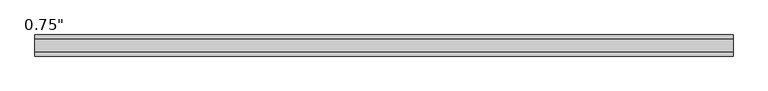
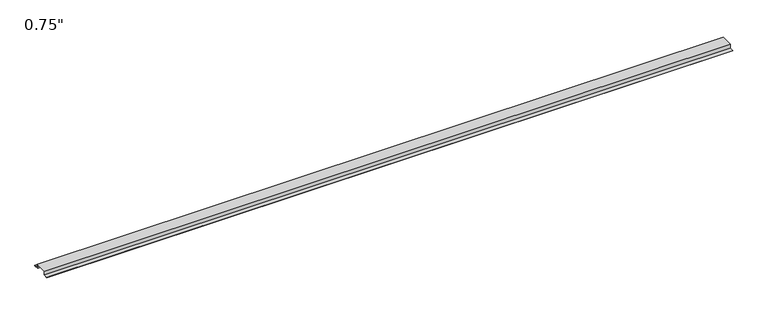
"""IFC4 building model written with IfcOpenShell, lengths in millimetres: proxy geometry."""

from ifc_helpers import new_model, si_unit, frame, origin, place, context, project, spatial, polyline, outline, extrude, source, transform, mapped, element, save


def proxy_8df4bd16(model_context):
    return source(origin(), model_context, "Body", "SweptSolid", [
        extrude(outline(polyline([(46.0559645, -17.4625), (25.4, -17.4625), (25.4, 0.0), (-25.4, 0.0), (-25.4, -17.4625), (-46.0559645, -17.4625), (-46.0559645, -15.8492), (-27.0129, -15.8492), (-27.0129, 1.6129), (27.0129, 1.6129), (27.0129, -15.8492), (46.0559645, -15.8492), (46.0559645, -17.4625)])), frame((0.0, 0.0, 0.0), z_axis=(1.0, 0.0, 0.0), x_axis=(0.0, 1.0, 0.0)), (0.0, 0.0, 1.0), 3048.0),
    ])


if __name__ == "__main__":
    model = new_model("IFC4")
    model_context = context("Model", 3, world=origin())
    ifc_project = project(units=[si_unit("LENGTHUNIT", "METRE", prefix="MILLI")], contexts=[model_context])
    site = spatial("IfcSite", under=ifc_project)
    building = spatial("IfcBuilding", under=site)
    placement = place(None, origin())
    proxy_shape = proxy_8df4bd16(model_context)
    element("IfcBuildingElementProxy", 1, Name="0.75\"", ObjectType="0.75\"", at=placement, inside=building, context=model_context, shape_type="MappedRepresentation", body=[
        mapped(proxy_shape, transform((0.0, 0.0, 0.0), x_axis=(1.0, 0.0, 0.0), y_axis=(0.0, 1.0, 0.0), z_axis=(0.0, 0.0, 1.0))),
    ])
    save(model, "model.ifc")
